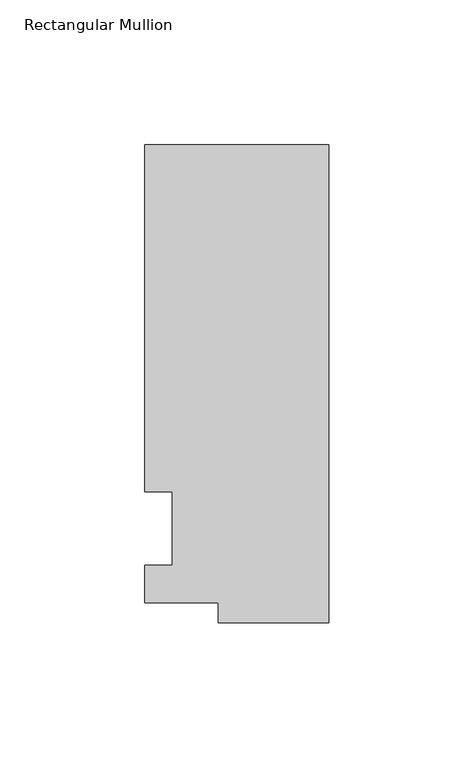
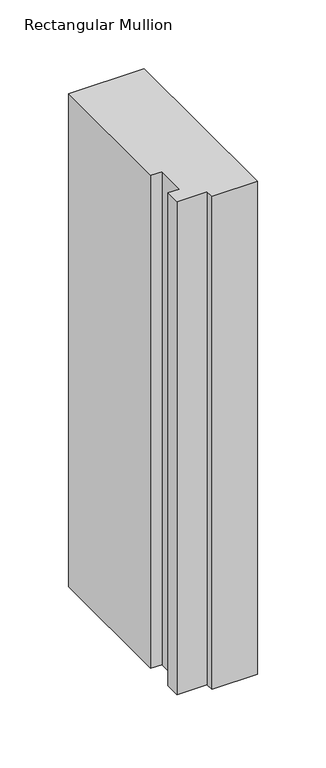
"""IFC4 building model written with IfcOpenShell, lengths in millimetres: member geometry, Rectangular Mullion."""

from ifc_helpers import new_model, si_unit, frame, origin, place, context, project, spatial, polyline, outline, extrude, source, transform, mapped, element, save


def rectangular_mullion_174f81be(model_context):
    return source(origin(), model_context, "Body", "SweptSolid", [
        extrude(outline(polyline([(-38.1, -32.54375), (-38.1, -25.58415), (-63.5, -25.58415), (-63.5, -12.7), (-53.975, -12.7), (-53.975, 12.7), (-63.5, 12.7), (-63.5, 132.55625), (0.0, 132.55625), (0.0, -32.54375), (-38.1, -32.54375)])), frame((0.0, 0.0, -438.15), z_axis=(0.0, 0.0, 1.0), x_axis=(1.0, 0.0, 0.0)), (0.0, 0.0, 1.0), 438.15),
    ])


if __name__ == "__main__":
    model = new_model("IFC4")
    model_context = context("Model", 3, world=origin())
    ifc_project = project(units=[si_unit("LENGTHUNIT", "METRE", prefix="MILLI")], contexts=[model_context])
    site = spatial("IfcSite", under=ifc_project)
    building = spatial("IfcBuilding", under=site)
    placement = place(None, origin())
    rectangular_mullion_shape = rectangular_mullion_174f81be(model_context)
    element("IfcMember", 1, ObjectType="Rectangular Mullion", at=placement, inside=building, context=model_context, shape_type="MappedRepresentation", body=[
        mapped(rectangular_mullion_shape, transform((0.0, 0.0, 0.0), x_axis=(1.0, 0.0, 0.0), y_axis=(0.0, 1.0, 0.0), z_axis=(0.0, 0.0, 1.0))),
    ])
    save(model, "model.ifc")
